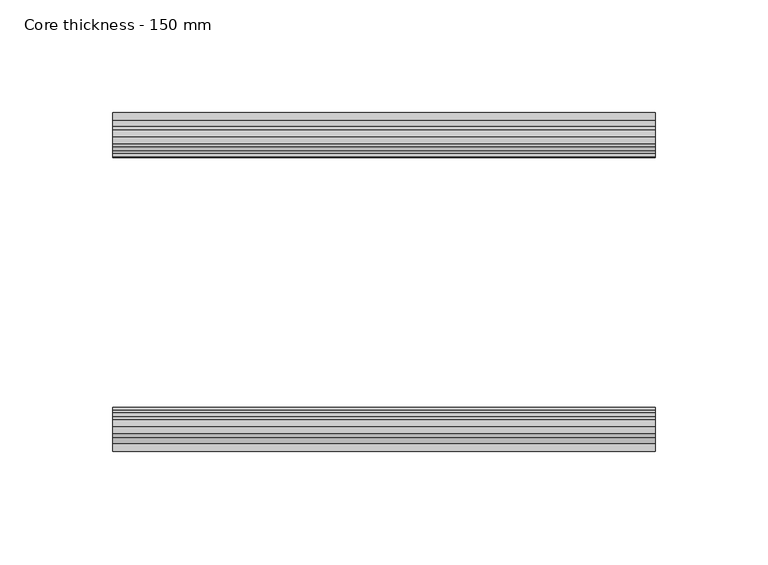
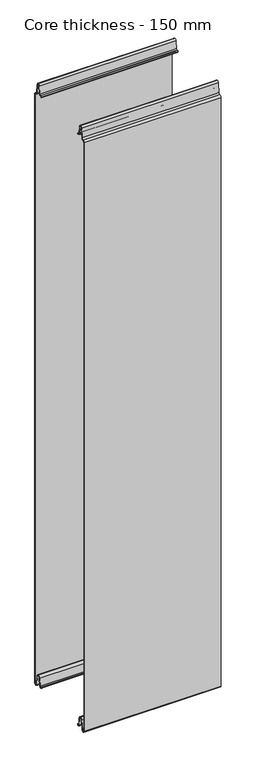
"""IFC4 building model written with IfcOpenShell, lengths in millimetres: plate geometry, Core thickness - 150 mm."""

import ifcopenshell
import ifcopenshell.guid

model = None  # the IFC model being written
_history = None  # IfcOwnerHistory: only IFC2X3 demands one
_inside = {}  # id of a spatial element -> (the spatial element, [elements in it])
_under = {}  # id of a project, library or spatial element -> (it, [spatial elements below it])
_declared = {}  # id of a project -> (the project, [libraries it declares])
_typed = {}  # id of a type object -> (the type object, [elements of that type])
_made_of = {}  # id of a material, layer set ... -> (it, [elements and type objects made of it])


def new_model(schema):
    """Start an empty IFC model of exactly this schema.

    Asked for "IFC4X3", IfcOpenShell would pick the latest addendum, in which some entities
    have other attributes; the version numbers below select the first issue.
    IFC2X3 requires an IfcOwnerHistory on every rooted entity: one is made here for all.
    """
    global model, _history
    if schema == "IFC4X3":
        model = ifcopenshell.file(schema_version=(4, 3, 0, 0))
    else:
        model = ifcopenshell.file(schema=schema)
    _inside.clear()
    _under.clear()
    _declared.clear()
    _typed.clear()
    _made_of.clear()
    _history = None
    if model.schema == "IFC2X3":
        org = make("IfcOrganization", Name="unknown")
        user = make(
            "IfcPersonAndOrganization",
            ThePerson=make("IfcPerson", FamilyName="unknown"),
            TheOrganization=org,
        )
        app = make(
            "IfcApplication",
            ApplicationDeveloper=org,
            Version="unknown",
            ApplicationFullName="unknown",
            ApplicationIdentifier="unknown",
        )
        _history = make(
            "IfcOwnerHistory",
            OwningUser=user,
            OwningApplication=app,
            ChangeAction="ADDED",
            CreationDate=0,
        )
    return model


def make(cls, **values):
    """One entity of the class cls with the attributes given. An attribute that is None is left unset."""
    return model.create_entity(
        cls, **{name: value for name, value in values.items() if value is not None}
    )


def rooted(cls, **values):
    """An entity with a GlobalId (a new one), such as an element, a storey or a relation."""
    return make(cls, GlobalId=ifcopenshell.guid.new(), OwnerHistory=_history, **values)


def si_unit(unit_type, name, prefix=None):
    """IfcSIUnit, for example si_unit("LENGTHUNIT", "METRE", prefix="MILLI")."""
    return make("IfcSIUnit", UnitType=unit_type, Prefix=prefix, Name=name)


def assignment(units):
    """IfcUnitAssignment: the units of a project."""
    return None if units is None else make("IfcUnitAssignment", Units=units)


def point(xyz):
    """IfcCartesianPoint."""
    return None if xyz is None else make("IfcCartesianPoint", Coordinates=xyz)


def direction(xyz):
    """IfcDirection."""
    return None if xyz is None else make("IfcDirection", DirectionRatios=xyz)


def frame(location, z_axis=None, x_axis=None):
    """IfcAxis2Placement3D, a coordinate frame: its origin and axes. An axis left out is left unset."""
    return make(
        "IfcAxis2Placement3D",
        Location=point(location),
        Axis=direction(z_axis),
        RefDirection=direction(x_axis),
    )


def origin():
    """The frame at (0, 0, 0) with its axes left unset."""
    return frame((0.0, 0.0, 0.0))


def place(relative_to, where):
    """IfcLocalPlacement: puts the frame where relative to a parent placement (None: the world)."""
    return make(
        "IfcLocalPlacement", PlacementRelTo=relative_to, RelativePlacement=where
    )


def context(
    kind, dimensions, precision=None, world=None, true_north=None, identifier=None
):
    """IfcGeometricRepresentationContext, for example the 3D "Model" context."""
    return make(
        "IfcGeometricRepresentationContext",
        ContextIdentifier=identifier,
        ContextType=kind,
        CoordinateSpaceDimension=dimensions,
        Precision=precision,
        WorldCoordinateSystem=world,
        TrueNorth=true_north,
    )


def project(units=None, contexts=None):
    """IfcProject with its units and contexts."""
    return rooted(
        "IfcProject",
        Name="project",
        RepresentationContexts=contexts,
        UnitsInContext=assignment(units),
    )


def spatial(cls, under=None, at=None, **own):
    """A site, building, storey or space (cls), placed at a placement, below another one or the project."""
    s = rooted(cls, ObjectPlacement=at, **own)
    if under is not None:
        _under.setdefault(under.id(), (under, []))[1].append(s)
    return s


def polyline(points):
    """IfcPolyline through the points."""
    return make("IfcPolyline", Points=[point(p) for p in points])


def circle_curve(where, radius):
    """IfcCircle in the frame where."""
    return make("IfcCircle", Position=where, Radius=radius)


def shape(context_of_items, identifier, shape_type, items):
    """IfcShapeRepresentation: the items that make up one representation, for example the "Body"."""
    return make(
        "IfcShapeRepresentation",
        ContextOfItems=context_of_items,
        RepresentationIdentifier=identifier,
        RepresentationType=shape_type,
        Items=items,
    )


def source(mapping_origin, context_of_items, identifier, shape_type, items):
    """IfcRepresentationMap: a shape defined once, which mapped items show again and again."""
    return make(
        "IfcRepresentationMap",
        MappingOrigin=mapping_origin,
        MappedRepresentation=shape(context_of_items, identifier, shape_type, items),
    )


def transform(
    local_origin,
    x_axis=None,
    y_axis=None,
    z_axis=None,
    scale=None,
    scale2=None,
    scale3=None,
    uniform=True,
):
    """IfcCartesianTransformationOperator3D, or its non-uniform kind. x_axis, y_axis, z_axis: its Axis1, 2, 3."""
    if uniform:
        return make(
            "IfcCartesianTransformationOperator3D",
            Axis1=direction(x_axis),
            Axis2=direction(y_axis),
            LocalOrigin=point(local_origin),
            Scale=scale,
            Axis3=direction(z_axis),
        )
    return make(
        "IfcCartesianTransformationOperator3DnonUniform",
        Axis1=direction(x_axis),
        Axis2=direction(y_axis),
        LocalOrigin=point(local_origin),
        Scale=scale,
        Axis3=direction(z_axis),
        Scale2=scale2,
        Scale3=scale3,
    )


def mapped(mapping_source, mapping_target):
    """IfcMappedItem: shows the shape of a source again, moved by a transform."""
    return make(
        "IfcMappedItem", MappingSource=mapping_source, MappingTarget=mapping_target
    )


def made_of(thing, what):
    """Note that an element or type object is made of a material, layer set ...; save() writes the relation."""
    if what is not None:
        _made_of.setdefault(what.id(), (what, []))[1].append(thing)
    return thing


def element(
    cls,
    number,
    at=None,
    inside=None,
    cuts=None,
    type_object=None,
    material=None,
    context=None,
    identifier="Body",
    shape_type=None,
    held_by="IfcProductDefinitionShape",
    body=None,
    shapes=None,
    **own,
):
    """One element of the class cls, such as IfcWall. Its Tag is "e" and its number.

    at: its placement. inside: the storey or other place that contains it. cuts: it is an
    opening in that element (IfcRelVoidsElement). A single representation is given by context,
    identifier, shape_type and body (its items); several are given by shapes. held_by: the class
    of the entity that holds the representations. save() writes the other relations.
    """
    e = rooted(cls, Tag="e%d" % number, ObjectPlacement=at, **own)
    if body is not None:
        shapes = [shape(context, identifier, shape_type, body)]
    if shapes is not None:
        e.Representation = make(held_by, Representations=shapes)
    if inside is not None:
        _inside.setdefault(inside.id(), (inside, []))[1].append(e)
    if cuts is not None:
        rooted(
            "IfcRelVoidsElement", RelatingBuildingElement=cuts, RelatedOpeningElement=e
        )
    if type_object is not None:
        _typed.setdefault(type_object.id(), (type_object, []))[1].append(e)
    return made_of(e, material)


def aggregate(whole, parts):
    """IfcRelAggregates: a whole, such as a stair, and the parts it consists of."""
    return rooted("IfcRelAggregates", RelatingObject=whole, RelatedObjects=parts)


def save(model, path):
    """Write the relations noted so far, then the file.

    IfcRelAggregates (storeys below a building ...), IfcRelContainedInSpatialStructure (elements
    in a storey), IfcRelDefinesByType, IfcRelAssociatesMaterial and IfcRelDeclares: one each for
    every whole, place, type object, material and project.
    """
    for whole, parts in _under.values():
        aggregate(whole, parts)
    for where, things in _inside.values():
        rooted(
            "IfcRelContainedInSpatialStructure",
            RelatedElements=things,
            RelatingStructure=where,
        )
    for kind, things in _typed.values():
        rooted("IfcRelDefinesByType", RelatedObjects=things, RelatingType=kind)
    for what, things in _made_of.values():
        rooted("IfcRelAssociatesMaterial", RelatedObjects=things, RelatingMaterial=what)
    for by, libraries in _declared.values():
        rooted("IfcRelDeclares", RelatingContext=by, RelatedDefinitions=libraries)
    model.write(path)


def plane_surface(at):
    """IfcPlane: the flat surface through the origin of the frame at, square to its z axis."""
    return make("IfcPlane", Position=at)


def cylinder_surface(at, radius):
    """IfcCylindricalSurface: all points at the distance radius from the z axis of the frame at."""
    return make("IfcCylindricalSurface", Position=at, Radius=radius)


def revolved_surface(curve, axis_point, axis_direction):
    """IfcSurfaceOfRevolution: the curve turned about the line through axis_point along axis_direction."""
    return make(
        "IfcSurfaceOfRevolution",
        SweptCurve=make("IfcArbitraryOpenProfileDef", ProfileType="CURVE", Curve=curve),
        AxisPosition=make("IfcAxis1Placement", Location=point(axis_point), Axis=direction(axis_direction)),
    )


def advanced_brep(points, edges, surfaces, faces):
    """IfcAdvancedBrep: a solid bounded by faces that lie on surfaces and meet in shared edges.

    An edge is (start, end): straight between two places in points (the first is 0);
    or (start, end, curve); or (start, end, curve, False) where it runs against its curve.
    A face is (place in surfaces, loops), or (place, loops, False) where it looks against
    its surface's normal. A loop lists edges by number (the first is 1), with a minus sign
    where the edge is run from its end to its start. The first loop is the outer one.
    """
    corners = [point(p) for p in points]
    vertices = [make("IfcVertexPoint", VertexGeometry=c) for c in corners]
    made = []
    for start, end, *more in edges:
        made.append(
            make(
                "IfcEdgeCurve",
                EdgeStart=vertices[start],
                EdgeEnd=vertices[end],
                EdgeGeometry=more[0] if more else make("IfcPolyline", Points=[corners[start], corners[end]]),
                SameSense=more[1] if len(more) > 1 else True,
            )
        )
    hull = []
    for where, loops, *sense in faces:
        bounds = []
        for j, loop in enumerate(loops):
            ring = [make("IfcOrientedEdge", EdgeElement=made[abs(k) - 1], Orientation=k > 0) for k in loop]
            bounds.append(
                make(
                    "IfcFaceOuterBound" if j == 0 else "IfcFaceBound",
                    Bound=make("IfcEdgeLoop", EdgeList=ring),
                    Orientation=True,
                )
            )
        hull.append(make("IfcAdvancedFace", Bounds=bounds, FaceSurface=surfaces[where], SameSense=sense[0] if sense else True))
    return make("IfcAdvancedBrep", Outer=make("IfcClosedShell", CfsFaces=hull))


def core_thickness_150_mm_47d732b1(model_context):
    return source(origin(), model_context, "Body", "AdvancedBrep", [
        advanced_brep(
        [(119.9999998, -149.1996949, 1093.8000005), (119.9999998, -146.6339815, 1096.1942726), (119.9999998, -143.1209335, 1099.1779769), (119.9999998, -141.4584333, 1116.1334653), (119.9999998, -139.1776715, 1118.1999998), (119.9999998, -136.8969097, 1116.1334653), (119.9999998, -135.5642071, 1102.5415123), (119.9999998, -132.9766159, 1100.1952279), (119.9999998, -131.8996949, 1100.1952279), (119.9999998, -131.2996949, 1099.5952279), (119.9999998, -131.2996949, 1098.4952279), (119.9999998, -130.4996949, 1098.4952279), (119.9999998, -130.4996949, 1099.5952279), (119.9999998, -131.8996949, 1100.9952279), (119.9999998, -132.9766159, 1100.9952279), (119.9999998, -134.7680252, 1102.6195786), (119.9999998, -136.1007278, 1116.2115316), (119.9999998, -139.1776715, 1119.0), (119.9999998, -142.2546153, 1116.2115316), (119.9999998, -143.9171154, 1099.2560432), (119.9999998, -146.5778021, 1097.005967), (119.9999998, -149.9996949, 1093.8000005), (119.9999998, -149.9996949, 2.9900682), (119.9999998, -143.81449, 2.6875612), (119.9999998, -142.197116, 19.1828169), (119.9999998, -139.1776715, 21.8898782), (119.9999998, -136.1582271, 19.1828169), (119.9999998, -134.7725998, 5.0510966), (119.9999998, -130.3830995, 5.265779), (119.9999998, -131.1830995, 5.265779), (119.9999998, -133.9764178, 5.1291629), (119.9999998, -135.3620451, 19.2608832), (119.9999998, -139.1776715, 22.6899182), (119.9999998, -142.9932979, 19.2608832), (119.9999998, -144.6106719, 2.7656275), (119.9999998, -149.1996949, 2.9900682), (-119.9999998, -149.2, 1093.8000005), (-119.9999998, -149.2, 2.9900682), (-119.9999998, -144.6106719, 2.7656275), (-119.9999998, -142.9932979, 19.2608832), (-119.9999998, -139.1776715, 22.6899182), (-119.9999998, -135.3620451, 19.2608832), (-119.9999998, -133.9764178, 5.1291629), (-119.9999998, -131.1830995, 5.265779), (-119.9999998, -130.3830995, 5.265779), (-119.9999998, -134.7725998, 5.0510966), (-119.9999998, -136.1582271, 19.1828169), (-119.9999998, -139.1776715, 21.8898782), (-119.9999998, -142.197116, 19.1828169), (-119.9999998, -143.81449, 2.6875612), (-119.9999998, -149.9996949, 2.9900682), (-119.9999998, -149.9996949, 1093.8000005), (-119.9999998, -146.5787437, 1096.9923633), (-119.9999998, -143.9171154, 1099.2560432), (-119.9999998, -142.2546153, 1116.2115316), (-119.9999998, -139.1776715, 1119.0), (-119.9999998, -136.1007278, 1116.2115316), (-119.9999998, -134.7680252, 1102.6195786), (-119.9999998, -132.9766159, 1100.9952279), (-119.9999998, -131.8996949, 1100.9952279), (-119.9999998, -130.4996949, 1099.5952279), (-119.9999998, -130.4996949, 1098.4952279), (-119.9999998, -131.2996949, 1098.4952279), (-119.9999998, -131.2996949, 1099.5952279), (-119.9999998, -131.8996949, 1100.1952279), (-119.9999998, -132.9766159, 1100.1952279), (-119.9999998, -135.5642071, 1102.5415123), (-119.9999998, -136.8969097, 1116.1334653), (-119.9999998, -139.1776715, 1118.1999998), (-119.9999998, -141.4584333, 1116.1334653), (-119.9999998, -143.1209335, 1099.1779769), (-119.9999998, -146.6330399, 1096.2078763)],
        [
            (0, 1, circle_curve(frame((119.9999998, -146.7996949, 1093.8000005), z_axis=(-1.0, 0.0, 0.0), x_axis=(0.0, 0.0, -1.0)), 2.4)),
            (1, 2, circle_curve(frame((119.9999998, -146.4051839, 1099.5000005), z_axis=(1.0, 0.0, 0.0), x_axis=(0.0, 0.0, -1.0)), 3.3)),
            (2, 3),
            (3, 4, circle_curve(frame((119.9999998, -139.1793626, 1115.9100005), z_axis=(-1.0, 0.0, 0.0), x_axis=(0.0, 0.0, -1.0)), 2.29)),
            (4, 5, circle_curve(frame((119.9999998, -139.1759805, 1115.9100005), z_axis=(-1.0, 0.0, 0.0), x_axis=(0.0, 0.0, -1.0)), 2.29)),
            (5, 6),
            (6, 7, circle_curve(frame((119.9999998, -132.9766159, 1102.7952279), z_axis=(1.0, 0.0, 0.0), x_axis=(0.0, 0.0, -1.0)), 2.6)),
            (7, 8),
            (8, 9, circle_curve(frame((119.9999998, -131.8996949, 1099.5952279), z_axis=(-1.0, 0.0, 0.0), x_axis=(0.0, 0.0, -1.0)), 0.6)),
            (9, 10),
            (10, 11),
            (11, 12),
            (12, 13, circle_curve(frame((119.9999998, -131.8996949, 1099.5952279), z_axis=(1.0, 0.0, 0.0), x_axis=(0.0, 0.0, -1.0)), 1.4)),
            (13, 14),
            (14, 15, circle_curve(frame((119.9999998, -132.9766159, 1102.7952279), z_axis=(-1.0, 0.0, 0.0), x_axis=(0.0, 0.0, -1.0)), 1.8)),
            (15, 16),
            (16, 17, circle_curve(frame((119.9999998, -139.1759805, 1115.9100005), z_axis=(1.0, 0.0, 0.0), x_axis=(0.0, 0.0, -1.0)), 3.09)),
            (17, 18, circle_curve(frame((119.9999998, -139.1793626, 1115.9100005), z_axis=(1.0, 0.0, 0.0), x_axis=(0.0, 0.0, -1.0)), 3.09)),
            (18, 19),
            (19, 20, circle_curve(frame((119.9999998, -146.4051839, 1099.5000005), z_axis=(-1.0, 0.0, 0.0), x_axis=(0.0, 0.0, -1.0)), 2.5)),
            (20, 21, circle_curve(frame((119.9999998, -146.7996949, 1093.8000005), z_axis=(1.0, 0.0, 0.0), x_axis=(0.0, 0.0, -1.0)), 3.2)),
            (21, 22),
            (22, 23, circle_curve(frame((119.9999998, -146.8996949, 2.9900682), z_axis=(1.0, 0.0, 0.0), x_axis=(0.0, 0.0, -1.0)), 3.1)),
            (23, 24),
            (24, 25, circle_curve(frame((119.9999998, -139.2114338, 18.8900682), z_axis=(-1.0, 0.0, 0.0), x_axis=(0.0, 0.0, -1.0)), 3.0)),
            (25, 26, circle_curve(frame((119.9999998, -139.1439093, 18.8900682), z_axis=(-1.0, 0.0, 0.0), x_axis=(0.0, 0.0, -1.0)), 3.0)),
            (26, 27),
            (27, 28, circle_curve(frame((119.9999998, -132.5830995, 5.265779), z_axis=(1.0, 0.0, 0.0), x_axis=(0.0, 0.0, -1.0)), 2.2)),
            (28, 29),
            (29, 30, circle_curve(frame((119.9999998, -132.5830995, 5.265779), z_axis=(-1.0, 0.0, 0.0), x_axis=(0.0, 0.0, -1.0)), 1.4)),
            (30, 31),
            (31, 32, circle_curve(frame((119.9999998, -139.1439093, 18.8900682), z_axis=(1.0, 0.0, 0.0), x_axis=(0.0, 0.0, -1.0)), 3.8)),
            (32, 33, circle_curve(frame((119.9999998, -139.2114338, 18.8900682), z_axis=(1.0, 0.0, 0.0), x_axis=(0.0, 0.0, -1.0)), 3.8)),
            (33, 34),
            (34, 35, circle_curve(frame((119.9999998, -146.8996949, 2.9900682), z_axis=(-1.0, 0.0, 0.0), x_axis=(0.0, 0.0, -1.0)), 2.3)),
            (35, 0),
            (36, 37),
            (37, 38, circle_curve(frame((-119.9999998, -146.8996949, 2.9900682), z_axis=(1.0, 0.0, 0.0), x_axis=(0.0, 0.0, -1.0)), 2.3)),
            (38, 39),
            (39, 40, circle_curve(frame((-119.9999998, -139.2114338, 18.8900682), z_axis=(-1.0, 0.0, 0.0), x_axis=(0.0, 0.0, -1.0)), 3.8)),
            (40, 41, circle_curve(frame((-119.9999998, -139.1439093, 18.8900682), z_axis=(-1.0, 0.0, 0.0), x_axis=(0.0, 0.0, -1.0)), 3.8)),
            (41, 42),
            (42, 43, circle_curve(frame((-119.9999998, -132.5830995, 5.265779), z_axis=(1.0, 0.0, 0.0), x_axis=(0.0, 0.0, -1.0)), 1.4)),
            (43, 44),
            (44, 45, circle_curve(frame((-119.9999998, -132.5830995, 5.265779), z_axis=(-1.0, 0.0, 0.0), x_axis=(0.0, 0.0, -1.0)), 2.2)),
            (45, 46),
            (46, 47, circle_curve(frame((-119.9999998, -139.1439093, 18.8900682), z_axis=(1.0, 0.0, 0.0), x_axis=(0.0, 0.0, -1.0)), 3.0)),
            (47, 48, circle_curve(frame((-119.9999998, -139.2114338, 18.8900682), z_axis=(1.0, 0.0, 0.0), x_axis=(0.0, 0.0, -1.0)), 3.0)),
            (48, 49),
            (49, 50, circle_curve(frame((-119.9999998, -146.8996949, 2.9900682), z_axis=(-1.0, 0.0, 0.0), x_axis=(0.0, 0.0, -1.0)), 3.1)),
            (50, 51),
            (51, 52, circle_curve(frame((-119.9999998, -146.7996949, 1093.8000005), z_axis=(-1.0, 0.0, 0.0), x_axis=(0.0, 0.0, -1.0)), 3.2)),
            (52, 53, circle_curve(frame((-119.9999998, -146.4051839, 1099.5000005), z_axis=(1.0, 0.0, 0.0), x_axis=(0.0, 0.0, -1.0)), 2.5)),
            (53, 54),
            (54, 55, circle_curve(frame((-119.9999998, -139.1793626, 1115.9100005), z_axis=(-1.0, 0.0, 0.0), x_axis=(0.0, 0.0, -1.0)), 3.09)),
            (55, 56, circle_curve(frame((-119.9999998, -139.1759805, 1115.9100005), z_axis=(-1.0, 0.0, 0.0), x_axis=(0.0, 0.0, -1.0)), 3.09)),
            (56, 57),
            (57, 58, circle_curve(frame((-119.9999998, -132.9766159, 1102.7952279), z_axis=(1.0, 0.0, 0.0), x_axis=(0.0, 0.0, -1.0)), 1.8)),
            (58, 59),
            (59, 60, circle_curve(frame((-119.9999998, -131.8996949, 1099.5952279), z_axis=(-1.0, 0.0, 0.0), x_axis=(0.0, 0.0, -1.0)), 1.4)),
            (60, 61),
            (61, 62),
            (62, 63),
            (63, 64, circle_curve(frame((-119.9999998, -131.8996949, 1099.5952279), z_axis=(1.0, 0.0, 0.0), x_axis=(0.0, 0.0, -1.0)), 0.6)),
            (64, 65),
            (65, 66, circle_curve(frame((-119.9999998, -132.9766159, 1102.7952279), z_axis=(-1.0, 0.0, 0.0), x_axis=(0.0, 0.0, -1.0)), 2.6)),
            (66, 67),
            (67, 68, circle_curve(frame((-119.9999998, -139.1759805, 1115.9100005), z_axis=(1.0, 0.0, 0.0), x_axis=(0.0, 0.0, -1.0)), 2.29)),
            (68, 69, circle_curve(frame((-119.9999998, -139.1793626, 1115.9100005), z_axis=(1.0, 0.0, 0.0), x_axis=(0.0, 0.0, -1.0)), 2.29)),
            (69, 70),
            (70, 71, circle_curve(frame((-119.9999998, -146.4051839, 1099.5000005), z_axis=(-1.0, 0.0, 0.0), x_axis=(0.0, 0.0, -1.0)), 3.3)),
            (71, 36, circle_curve(frame((-119.9999998, -146.7996949, 1093.8000005), z_axis=(1.0, 0.0, 0.0), x_axis=(0.0, 0.0, -1.0)), 2.4)),
            (35, 37),
            (36, 0),
            (21, 51),
            (50, 22),
            (20, 52),
            (19, 53),
            (18, 54),
            (17, 55),
            (16, 56),
            (15, 57),
            (14, 58),
            (13, 59),
            (12, 60),
            (11, 61),
            (10, 62),
            (9, 63),
            (8, 64),
            (7, 65),
            (6, 66),
            (5, 67),
            (4, 68),
            (3, 69),
            (2, 70),
            (1, 71),
            (34, 38),
            (33, 39),
            (32, 40),
            (31, 41),
            (30, 42),
            (29, 43),
            (28, 44),
            (27, 45),
            (26, 46),
            (25, 47),
            (24, 48),
            (23, 49),
        ],
        [
            plane_surface(frame((119.9999998, -150.0, 0.0), z_axis=(1.0, 0.0, 0.0), x_axis=(0.0, 1.0, 0.0))),
            plane_surface(frame((-119.9999998, -150.0, 0.0), z_axis=(-1.0, 0.0, 0.0), x_axis=(0.0, 1.0, 0.0))),
            plane_surface(frame((119.9999998, -149.2, 2.9900682), z_axis=(0.0, 1.0, 0.0), x_axis=(-1.0, 0.0, 0.0))),
            plane_surface(frame((119.9999998, -149.9996949, 1093.8000005), z_axis=(0.0, -1.0, 0.0), x_axis=(-1.0, 0.0, 0.0))),
            cylinder_surface(frame((119.9999998, -146.7996949, 1093.8000005), z_axis=(1.0, 0.0, 0.0), x_axis=(0.0, 0.0, -1.0)), 3.2),
            revolved_surface(polyline([(-119.9999998, -146.4051839, 1097.0000005), (119.9999998, -146.4051839, 1097.0000005)]), (119.9999998, -146.4051839, 1099.5000005), (-1.0, 0.0, 0.0)),
            plane_surface(frame((119.9999998, -142.2546153, 1116.2115316), z_axis=(0.0, -0.9952273999818317, 0.0975828997591444), x_axis=(-1.0, 0.0, 0.0))),
            cylinder_surface(frame((119.9999998, -139.1793626, 1115.9100005), z_axis=(1.0, 0.0, 0.0), x_axis=(0.0, 0.0, -1.0)), 3.09),
            cylinder_surface(frame((119.9999998, -139.1759805, 1115.9100005), z_axis=(1.0, 0.0, 0.0), x_axis=(0.0, 0.0, -1.0)), 3.09),
            plane_surface(frame((119.9999998, -134.7680252, 1102.6195786), z_axis=(0.0, 0.9952273999818314, 0.0975828997591471), x_axis=(-1.0, 0.0, 0.0))),
            revolved_surface(polyline([(-119.9999998, -132.9766159, 1100.9952279000001), (119.9999998, -132.9766159, 1100.9952279000001)]), (119.9999998, -132.9766159, 1102.7952279), (-1.0, 0.0, 0.0)),
            plane_surface(frame((119.9999998, -131.8996949, 1100.9952279), z_axis=(0.0, 0.0, 1.0), x_axis=(-1.0, 0.0, 0.0))),
            cylinder_surface(frame((119.9999998, -131.8996949, 1099.5952279), z_axis=(1.0, 0.0, 0.0), x_axis=(0.0, 0.0, -1.0)), 1.4),
            plane_surface(frame((119.9999998, -130.4996949, 1098.4952279), z_axis=(0.0, 1.0, 0.0), x_axis=(-1.0, 0.0, 0.0))),
            plane_surface(frame((119.9999998, -131.2996949, 1098.4952279), z_axis=(0.0, 0.0, -1.0), x_axis=(-1.0, 0.0, 0.0))),
            plane_surface(frame((119.9999998, -131.2996949, 1099.5952279), z_axis=(0.0, -1.0, 0.0), x_axis=(-1.0, 0.0, 0.0))),
            revolved_surface(polyline([(-119.9999998, -131.8996949, 1098.9952279000001), (119.9999998, -131.8996949, 1098.9952279000001)]), (119.9999998, -131.8996949, 1099.5952279), (-1.0, 0.0, 0.0)),
            plane_surface(frame((119.9999998, -132.9766159, 1100.1952279), z_axis=(0.0, 0.0, -1.0), x_axis=(-1.0, 0.0, 0.0))),
            cylinder_surface(frame((119.9999998, -132.9766159, 1102.7952279), z_axis=(1.0, 0.0, 0.0), x_axis=(0.0, 0.0, -1.0)), 2.6),
            plane_surface(frame((119.9999998, -136.8969097, 1116.1334653), z_axis=(0.0, -0.9952273999818314, -0.09758289975914705), x_axis=(-1.0, 0.0, 0.0))),
            revolved_surface(polyline([(-119.9999998, -139.1759805, 1113.6200005), (119.9999998, -139.1759805, 1113.6200005)]), (119.9999998, -139.1759805, 1115.9100005), (-1.0, 0.0, 0.0)),
            revolved_surface(polyline([(-119.9999998, -139.1793626, 1113.6200005), (119.9999998, -139.1793626, 1113.6200005)]), (119.9999998, -139.1793626, 1115.9100005), (-1.0, 0.0, 0.0)),
            plane_surface(frame((119.9999998, -143.1209335, 1099.1779769), z_axis=(0.0, 0.9952273999818317, -0.09758289975914436), x_axis=(-1.0, 0.0, 0.0))),
            cylinder_surface(frame((119.9999998, -146.4051839, 1099.5000005), z_axis=(1.0, 0.0, 0.0), x_axis=(0.0, 0.0, -1.0)), 3.3),
            revolved_surface(polyline([(-119.9999998, -146.7996949, 1091.4000004999998), (119.9999998, -146.7996949, 1091.4000004999998)]), (119.9999998, -146.7996949, 1093.8000005), (-1.0, 0.0, 0.0)),
            revolved_surface(polyline([(-119.9999998, -146.8996949, 0.6900682000000002), (119.9999998, -146.8996949, 0.6900682000000002)]), (119.9999998, -146.8996949, 2.9900682), (-1.0, 0.0, 0.0)),
            plane_surface(frame((119.9999998, -142.9932979, 19.2608832), z_axis=(0.0, -0.9952273999818314, 0.09758289975914787), x_axis=(-1.0, 0.0, 0.0))),
            cylinder_surface(frame((119.9999998, -139.2114338, 18.8900682), z_axis=(1.0, 0.0, 0.0), x_axis=(0.0, 0.0, -1.0)), 3.8),
            cylinder_surface(frame((119.9999998, -139.1439093, 18.8900682), z_axis=(1.0, 0.0, 0.0), x_axis=(0.0, 0.0, -1.0)), 3.8),
            plane_surface(frame((119.9999998, -133.9764178, 5.1291629), z_axis=(0.0, 0.9952273999818297, 0.09758289975916531), x_axis=(-1.0, 0.0, 0.0))),
            revolved_surface(polyline([(-119.9999998, -132.5830995, 3.8657790000000003), (119.9999998, -132.5830995, 3.8657790000000003)]), (119.9999998, -132.5830995, 5.265779), (-1.0, 0.0, 0.0)),
            plane_surface(frame((119.9999998, -130.3830995, 5.265779), z_axis=(0.0, 0.0, 1.0), x_axis=(-1.0, 0.0, 0.0))),
            cylinder_surface(frame((119.9999998, -132.5830995, 5.265779), z_axis=(1.0, 0.0, 0.0), x_axis=(0.0, 0.0, -1.0)), 2.2),
            plane_surface(frame((119.9999998, -136.1582271, 19.1828169), z_axis=(0.0, -0.9952273999818296, -0.09758289975916527), x_axis=(-1.0, 0.0, 0.0))),
            revolved_surface(polyline([(-119.9999998, -139.1439093, 15.890068200000002), (119.9999998, -139.1439093, 15.890068200000002)]), (119.9999998, -139.1439093, 18.8900682), (-1.0, 0.0, 0.0)),
            revolved_surface(polyline([(-119.9999998, -139.2114338, 15.890068200000002), (119.9999998, -139.2114338, 15.890068200000002)]), (119.9999998, -139.2114338, 18.8900682), (-1.0, 0.0, 0.0)),
            plane_surface(frame((119.9999998, -143.81449, 2.6875612), z_axis=(0.0, 0.9952273999818314, -0.09758289975914787), x_axis=(-1.0, 0.0, 0.0))),
            cylinder_surface(frame((119.9999998, -146.8996949, 2.9900682), z_axis=(1.0, 0.0, 0.0), x_axis=(0.0, 0.0, -1.0)), 3.1),
        ],
        [
            (0, [[1, 2, 3, 4, 5, 6, 7, 8, 9, 10, 11, 12, 13, 14, 15, 16, 17, 18, 19, 20, 21, 22, 23, 24, 25, 26, 27, 28, 29, 30, 31, 32, 33, 34, 35, 36]]),
            (1, [[37, 38, 39, 40, 41, 42, 43, 44, 45, 46, 47, 48, 49, 50, 51, 52, 53, 54, 55, 56, 57, 58, 59, 60, 61, 62, 63, 64, 65, 66, 67, 68, 69, 70, 71, 72]]),
            (2, [[-36, 73, -37, 74]]),
            (3, [[-22, 75, -51, 76]]),
            (4, [[-21, 77, -52, -75]]),
            (5, [[-20, 78, -53, -77]]),
            (6, [[-19, 79, -54, -78]]),
            (7, [[-18, 80, -55, -79]]),
            (8, [[-17, 81, -56, -80]]),
            (9, [[-16, 82, -57, -81]]),
            (10, [[-15, 83, -58, -82]]),
            (11, [[-14, 84, -59, -83]]),
            (12, [[-13, 85, -60, -84]]),
            (13, [[-12, 86, -61, -85]]),
            (14, [[-11, 87, -62, -86]]),
            (15, [[-10, 88, -63, -87]]),
            (16, [[-9, 89, -64, -88]]),
            (17, [[-8, 90, -65, -89]]),
            (18, [[-7, 91, -66, -90]]),
            (19, [[-6, 92, -67, -91]]),
            (20, [[-5, 93, -68, -92]]),
            (21, [[-4, 94, -69, -93]]),
            (22, [[-3, 95, -70, -94]]),
            (23, [[-2, 96, -71, -95]]),
            (24, [[-1, -74, -72, -96]]),
            (25, [[-35, 97, -38, -73]]),
            (26, [[-34, 98, -39, -97]]),
            (27, [[-33, 99, -40, -98]]),
            (28, [[-32, 100, -41, -99]]),
            (29, [[-31, 101, -42, -100]]),
            (30, [[-30, 102, -43, -101]]),
            (31, [[-29, 103, -44, -102]]),
            (32, [[-28, 104, -45, -103]]),
            (33, [[-27, 105, -46, -104]]),
            (34, [[-26, 106, -47, -105]]),
            (35, [[-25, 107, -48, -106]]),
            (36, [[-24, 108, -49, -107]]),
            (37, [[-23, -76, -50, -108]]),
        ],
    ),
        advanced_brep(
        [(119.9999998, -0.8, 1093.8000005), (119.9999998, -0.8, 2.9900682), (119.9999998, -5.3893281, 2.7656275), (119.9999998, -7.0067021, 19.2608832), (119.9999998, -10.8223285, 22.6899182), (119.9999998, -14.6379549, 19.2608832), (119.9999998, -16.0235822, 5.1291629), (119.9999998, -18.8169005, 5.265779), (119.9999998, -19.6169005, 5.265779), (119.9999998, -15.2274002, 5.0510966), (119.9999998, -13.8417729, 19.1828169), (119.9999998, -10.8223285, 21.8898782), (119.9999998, -7.802884, 19.1828169), (119.9999998, -6.18551, 2.6875612), (119.9999998, -0.0003051, 2.9900682), (119.9999998, -0.0003051, 1093.8000005), (119.9999998, -3.4212563, 1096.9923633), (119.9999998, -6.0828846, 1099.2560432), (119.9999998, -7.7453847, 1116.2115316), (119.9999998, -10.8223285, 1119.0), (119.9999998, -13.8992722, 1116.2115316), (119.9999998, -15.2319748, 1102.6195786), (119.9999998, -17.0233841, 1100.9952279), (119.9999998, -18.1003051, 1100.9952279), (119.9999998, -19.5003051, 1099.5952279), (119.9999998, -19.5003051, 1098.4952279), (119.9999998, -18.7003051, 1098.4952279), (119.9999998, -18.7003051, 1099.5952279), (119.9999998, -18.1003051, 1100.1952279), (119.9999998, -17.0233841, 1100.1952279), (119.9999998, -14.4357929, 1102.5415123), (119.9999998, -13.1030903, 1116.1334653), (119.9999998, -10.8223285, 1118.1999998), (119.9999998, -8.5415667, 1116.1334653), (119.9999998, -6.8790665, 1099.1779769), (119.9999998, -3.3669601, 1096.2078763), (-119.9999998, -0.8003051, 1093.8000005), (-119.9999998, -3.3660185, 1096.1942726), (-119.9999998, -6.8790665, 1099.1779769), (-119.9999998, -8.5415667, 1116.1334653), (-119.9999998, -10.8223285, 1118.1999998), (-119.9999998, -13.1030903, 1116.1334653), (-119.9999998, -14.4357929, 1102.5415123), (-119.9999998, -17.0233841, 1100.1952279), (-119.9999998, -18.1003051, 1100.1952279), (-119.9999998, -18.7003051, 1099.5952279), (-119.9999998, -18.7003051, 1098.4952279), (-119.9999998, -19.5003051, 1098.4952279), (-119.9999998, -19.5003051, 1099.5952279), (-119.9999998, -18.1003051, 1100.9952279), (-119.9999998, -17.0233841, 1100.9952279), (-119.9999998, -15.2319748, 1102.6195786), (-119.9999998, -13.8992722, 1116.2115316), (-119.9999998, -10.8223285, 1119.0), (-119.9999998, -7.7453847, 1116.2115316), (-119.9999998, -6.0828846, 1099.2560432), (-119.9999998, -3.4221979, 1097.005967), (-119.9999998, -0.0003051, 1093.8000005), (-119.9999998, -0.0003051, 2.9900682), (-119.9999998, -6.18551, 2.6875612), (-119.9999998, -7.802884, 19.1828169), (-119.9999998, -10.8223285, 21.8898782), (-119.9999998, -13.8417729, 19.1828169), (-119.9999998, -15.2274002, 5.0510966), (-119.9999998, -19.6169005, 5.265779), (-119.9999998, -18.8169005, 5.265779), (-119.9999998, -16.0235822, 5.1291629), (-119.9999998, -14.6379549, 19.2608832), (-119.9999998, -10.8223285, 22.6899182), (-119.9999998, -7.0067021, 19.2608832), (-119.9999998, -5.3893281, 2.7656275), (-119.9999998, -0.8003051, 2.9900682)],
        [
            (0, 1),
            (1, 2, circle_curve(frame((119.9999998, -3.1003051, 2.9900682), z_axis=(-1.0, 0.0, 0.0), x_axis=(0.0, 0.0, -1.0)), 2.3)),
            (2, 3),
            (3, 4, circle_curve(frame((119.9999998, -10.7885662, 18.8900682), z_axis=(1.0, 0.0, 0.0), x_axis=(0.0, 0.0, -1.0)), 3.8)),
            (4, 5, circle_curve(frame((119.9999998, -10.8560907, 18.8900682), z_axis=(1.0, 0.0, 0.0), x_axis=(0.0, 0.0, -1.0)), 3.8)),
            (5, 6),
            (6, 7, circle_curve(frame((119.9999998, -17.4169005, 5.265779), z_axis=(-1.0, 0.0, 0.0), x_axis=(0.0, 0.0, -1.0)), 1.4)),
            (7, 8),
            (8, 9, circle_curve(frame((119.9999998, -17.4169005, 5.265779), z_axis=(1.0, 0.0, 0.0), x_axis=(0.0, 0.0, -1.0)), 2.2)),
            (9, 10),
            (10, 11, circle_curve(frame((119.9999998, -10.8560907, 18.8900682), z_axis=(-1.0, 0.0, 0.0), x_axis=(0.0, 0.0, -1.0)), 3.0)),
            (11, 12, circle_curve(frame((119.9999998, -10.7885662, 18.8900682), z_axis=(-1.0, 0.0, 0.0), x_axis=(0.0, 0.0, -1.0)), 3.0)),
            (12, 13),
            (13, 14, circle_curve(frame((119.9999998, -3.1003051, 2.9900682), z_axis=(1.0, 0.0, 0.0), x_axis=(0.0, 0.0, -1.0)), 3.1)),
            (14, 15),
            (15, 16, circle_curve(frame((119.9999998, -3.2003051, 1093.8000005), z_axis=(1.0, 0.0, 0.0), x_axis=(0.0, 0.0, -1.0)), 3.2)),
            (16, 17, circle_curve(frame((119.9999998, -3.5948161, 1099.5000005), z_axis=(-1.0, 0.0, 0.0), x_axis=(0.0, 0.0, -1.0)), 2.5)),
            (17, 18),
            (18, 19, circle_curve(frame((119.9999998, -10.8206374, 1115.9100005), z_axis=(1.0, 0.0, 0.0), x_axis=(0.0, 0.0, -1.0)), 3.09)),
            (19, 20, circle_curve(frame((119.9999998, -10.8240195, 1115.9100005), z_axis=(1.0, 0.0, 0.0), x_axis=(0.0, 0.0, -1.0)), 3.09)),
            (20, 21),
            (21, 22, circle_curve(frame((119.9999998, -17.0233841, 1102.7952279), z_axis=(-1.0, 0.0, 0.0), x_axis=(0.0, 0.0, -1.0)), 1.8)),
            (22, 23),
            (23, 24, circle_curve(frame((119.9999998, -18.1003051, 1099.5952279), z_axis=(1.0, 0.0, 0.0), x_axis=(0.0, 0.0, -1.0)), 1.4)),
            (24, 25),
            (25, 26),
            (26, 27),
            (27, 28, circle_curve(frame((119.9999998, -18.1003051, 1099.5952279), z_axis=(-1.0, 0.0, 0.0), x_axis=(0.0, 0.0, -1.0)), 0.6)),
            (28, 29),
            (29, 30, circle_curve(frame((119.9999998, -17.0233841, 1102.7952279), z_axis=(1.0, 0.0, 0.0), x_axis=(0.0, 0.0, -1.0)), 2.6)),
            (30, 31),
            (31, 32, circle_curve(frame((119.9999998, -10.8240195, 1115.9100005), z_axis=(-1.0, 0.0, 0.0), x_axis=(0.0, 0.0, -1.0)), 2.29)),
            (32, 33, circle_curve(frame((119.9999998, -10.8206374, 1115.9100005), z_axis=(-1.0, 0.0, 0.0), x_axis=(0.0, 0.0, -1.0)), 2.29)),
            (33, 34),
            (34, 35, circle_curve(frame((119.9999998, -3.5948161, 1099.5000005), z_axis=(1.0, 0.0, 0.0), x_axis=(0.0, 0.0, -1.0)), 3.3)),
            (35, 0, circle_curve(frame((119.9999998, -3.2003051, 1093.8000005), z_axis=(-1.0, 0.0, 0.0), x_axis=(0.0, 0.0, -1.0)), 2.4)),
            (36, 37, circle_curve(frame((-119.9999998, -3.2003051, 1093.8000005), z_axis=(1.0, 0.0, 0.0), x_axis=(0.0, 0.0, -1.0)), 2.4)),
            (37, 38, circle_curve(frame((-119.9999998, -3.5948161, 1099.5000005), z_axis=(-1.0, 0.0, 0.0), x_axis=(0.0, 0.0, -1.0)), 3.3)),
            (38, 39),
            (39, 40, circle_curve(frame((-119.9999998, -10.8206374, 1115.9100005), z_axis=(1.0, 0.0, 0.0), x_axis=(0.0, 0.0, -1.0)), 2.29)),
            (40, 41, circle_curve(frame((-119.9999998, -10.8240195, 1115.9100005), z_axis=(1.0, 0.0, 0.0), x_axis=(0.0, 0.0, -1.0)), 2.29)),
            (41, 42),
            (42, 43, circle_curve(frame((-119.9999998, -17.0233841, 1102.7952279), z_axis=(-1.0, 0.0, 0.0), x_axis=(0.0, 0.0, -1.0)), 2.6)),
            (43, 44),
            (44, 45, circle_curve(frame((-119.9999998, -18.1003051, 1099.5952279), z_axis=(1.0, 0.0, 0.0), x_axis=(0.0, 0.0, -1.0)), 0.6)),
            (45, 46),
            (46, 47),
            (47, 48),
            (48, 49, circle_curve(frame((-119.9999998, -18.1003051, 1099.5952279), z_axis=(-1.0, 0.0, 0.0), x_axis=(0.0, 0.0, -1.0)), 1.4)),
            (49, 50),
            (50, 51, circle_curve(frame((-119.9999998, -17.0233841, 1102.7952279), z_axis=(1.0, 0.0, 0.0), x_axis=(0.0, 0.0, -1.0)), 1.8)),
            (51, 52),
            (52, 53, circle_curve(frame((-119.9999998, -10.8240195, 1115.9100005), z_axis=(-1.0, 0.0, 0.0), x_axis=(0.0, 0.0, -1.0)), 3.09)),
            (53, 54, circle_curve(frame((-119.9999998, -10.8206374, 1115.9100005), z_axis=(-1.0, 0.0, 0.0), x_axis=(0.0, 0.0, -1.0)), 3.09)),
            (54, 55),
            (55, 56, circle_curve(frame((-119.9999998, -3.5948161, 1099.5000005), z_axis=(1.0, 0.0, 0.0), x_axis=(0.0, 0.0, -1.0)), 2.5)),
            (56, 57, circle_curve(frame((-119.9999998, -3.2003051, 1093.8000005), z_axis=(-1.0, 0.0, 0.0), x_axis=(0.0, 0.0, -1.0)), 3.2)),
            (57, 58),
            (58, 59, circle_curve(frame((-119.9999998, -3.1003051, 2.9900682), z_axis=(-1.0, 0.0, 0.0), x_axis=(0.0, 0.0, -1.0)), 3.1)),
            (59, 60),
            (60, 61, circle_curve(frame((-119.9999998, -10.7885662, 18.8900682), z_axis=(1.0, 0.0, 0.0), x_axis=(0.0, 0.0, -1.0)), 3.0)),
            (61, 62, circle_curve(frame((-119.9999998, -10.8560907, 18.8900682), z_axis=(1.0, 0.0, 0.0), x_axis=(0.0, 0.0, -1.0)), 3.0)),
            (62, 63),
            (63, 64, circle_curve(frame((-119.9999998, -17.4169005, 5.265779), z_axis=(-1.0, 0.0, 0.0), x_axis=(0.0, 0.0, -1.0)), 2.2)),
            (64, 65),
            (65, 66, circle_curve(frame((-119.9999998, -17.4169005, 5.265779), z_axis=(1.0, 0.0, 0.0), x_axis=(0.0, 0.0, -1.0)), 1.4)),
            (66, 67),
            (67, 68, circle_curve(frame((-119.9999998, -10.8560907, 18.8900682), z_axis=(-1.0, 0.0, 0.0), x_axis=(0.0, 0.0, -1.0)), 3.8)),
            (68, 69, circle_curve(frame((-119.9999998, -10.7885662, 18.8900682), z_axis=(-1.0, 0.0, 0.0), x_axis=(0.0, 0.0, -1.0)), 3.8)),
            (69, 70),
            (70, 71, circle_curve(frame((-119.9999998, -3.1003051, 2.9900682), z_axis=(1.0, 0.0, 0.0), x_axis=(0.0, 0.0, -1.0)), 2.3)),
            (71, 36),
            (35, 37),
            (36, 0),
            (34, 38),
            (33, 39),
            (32, 40),
            (31, 41),
            (30, 42),
            (29, 43),
            (28, 44),
            (27, 45),
            (26, 46),
            (25, 47),
            (24, 48),
            (23, 49),
            (22, 50),
            (21, 51),
            (20, 52),
            (19, 53),
            (18, 54),
            (17, 55),
            (16, 56),
            (15, 57),
            (14, 58),
            (71, 1),
            (13, 59),
            (12, 60),
            (11, 61),
            (10, 62),
            (9, 63),
            (8, 64),
            (7, 65),
            (6, 66),
            (5, 67),
            (4, 68),
            (3, 69),
            (2, 70),
        ],
        [
            plane_surface(frame((119.9999998, 0.0, 0.0), z_axis=(1.0, 0.0, 0.0), x_axis=(0.0, -1.0, 0.0))),
            plane_surface(frame((-119.9999998, 0.0, 0.0), z_axis=(-1.0, 0.0, 0.0), x_axis=(0.0, -1.0, 0.0))),
            revolved_surface(polyline([(-119.9999998, -3.2003051, 1091.4000004999998), (119.9999998, -3.2003051, 1091.4000004999998)]), (119.9999998, -3.2003051, 1093.8000005), (-1.0, 0.0, 0.0)),
            cylinder_surface(frame((119.9999998, -3.5948161, 1099.5000005), z_axis=(1.0, 0.0, 0.0), x_axis=(0.0, 0.0, -1.0)), 3.3),
            plane_surface(frame((119.9999998, -8.5415667, 1116.1334653), z_axis=(0.0, -0.9952273999818317, -0.09758289975914436), x_axis=(-1.0, 0.0, 0.0))),
            revolved_surface(polyline([(-119.9999998, -10.8206374, 1113.6200005), (119.9999998, -10.8206374, 1113.6200005)]), (119.9999998, -10.8206374, 1115.9100005), (-1.0, 0.0, 0.0)),
            revolved_surface(polyline([(-119.9999998, -10.8240195, 1113.6200005), (119.9999998, -10.8240195, 1113.6200005)]), (119.9999998, -10.8240195, 1115.9100005), (-1.0, 0.0, 0.0)),
            plane_surface(frame((119.9999998, -14.4357929, 1102.5415123), z_axis=(0.0, 0.9952273999818314, -0.09758289975914705), x_axis=(-1.0, 0.0, 0.0))),
            cylinder_surface(frame((119.9999998, -17.0233841, 1102.7952279), z_axis=(1.0, 0.0, 0.0), x_axis=(0.0, 0.0, -1.0)), 2.6),
            plane_surface(frame((119.9999998, -18.1003051, 1100.1952279), z_axis=(0.0, 0.0, -1.0), x_axis=(-1.0, 0.0, 0.0))),
            revolved_surface(polyline([(-119.9999998, -18.1003051, 1098.9952279000001), (119.9999998, -18.1003051, 1098.9952279000001)]), (119.9999998, -18.1003051, 1099.5952279), (-1.0, 0.0, 0.0)),
            plane_surface(frame((119.9999998, -18.7003051, 1098.4952279), z_axis=(0.0, 1.0, 0.0), x_axis=(-1.0, 0.0, 0.0))),
            plane_surface(frame((119.9999998, -19.5003051, 1098.4952279), z_axis=(0.0, 0.0, -1.0), x_axis=(-1.0, 0.0, 0.0))),
            plane_surface(frame((119.9999998, -19.5003051, 1099.5952279), z_axis=(0.0, -1.0, 0.0), x_axis=(-1.0, 0.0, 0.0))),
            cylinder_surface(frame((119.9999998, -18.1003051, 1099.5952279), z_axis=(1.0, 0.0, 0.0), x_axis=(0.0, 0.0, -1.0)), 1.4),
            plane_surface(frame((119.9999998, -17.0233841, 1100.9952279), z_axis=(0.0, 0.0, 1.0), x_axis=(-1.0, 0.0, 0.0))),
            revolved_surface(polyline([(-119.9999998, -17.0233841, 1100.9952279000001), (119.9999998, -17.0233841, 1100.9952279000001)]), (119.9999998, -17.0233841, 1102.7952279), (-1.0, 0.0, 0.0)),
            plane_surface(frame((119.9999998, -13.8992722, 1116.2115316), z_axis=(0.0, -0.9952273999818314, 0.0975828997591471), x_axis=(-1.0, 0.0, 0.0))),
            cylinder_surface(frame((119.9999998, -10.8240195, 1115.9100005), z_axis=(1.0, 0.0, 0.0), x_axis=(0.0, 0.0, -1.0)), 3.09),
            cylinder_surface(frame((119.9999998, -10.8206374, 1115.9100005), z_axis=(1.0, 0.0, 0.0), x_axis=(0.0, 0.0, -1.0)), 3.09),
            plane_surface(frame((119.9999998, -6.0828846, 1099.2560432), z_axis=(0.0, 0.9952273999818317, 0.0975828997591444), x_axis=(-1.0, 0.0, 0.0))),
            revolved_surface(polyline([(-119.9999998, -3.5948161, 1097.0000005), (119.9999998, -3.5948161, 1097.0000005)]), (119.9999998, -3.5948161, 1099.5000005), (-1.0, 0.0, 0.0)),
            cylinder_surface(frame((119.9999998, -3.2003051, 1093.8000005), z_axis=(1.0, 0.0, 0.0), x_axis=(0.0, 0.0, -1.0)), 3.2),
            plane_surface(frame((119.9999998, -0.0003051, 2.9900682), z_axis=(0.0, 1.0, 0.0), x_axis=(-1.0, 0.0, 0.0))),
            plane_surface(frame((119.9999998, -0.8, 1093.8000005), z_axis=(0.0, -1.0, 0.0), x_axis=(-1.0, 0.0, 0.0))),
            cylinder_surface(frame((119.9999998, -3.1003051, 2.9900682), z_axis=(1.0, 0.0, 0.0), x_axis=(0.0, 0.0, -1.0)), 3.1),
            plane_surface(frame((119.9999998, -7.802884, 19.1828169), z_axis=(0.0, -0.9952273999818314, -0.09758289975914787), x_axis=(-1.0, 0.0, 0.0))),
            revolved_surface(polyline([(-119.9999998, -10.7885662, 15.890068200000002), (119.9999998, -10.7885662, 15.890068200000002)]), (119.9999998, -10.7885662, 18.8900682), (-1.0, 0.0, 0.0)),
            revolved_surface(polyline([(-119.9999998, -10.8560907, 15.890068200000002), (119.9999998, -10.8560907, 15.890068200000002)]), (119.9999998, -10.8560907, 18.8900682), (-1.0, 0.0, 0.0)),
            plane_surface(frame((119.9999998, -15.2274002, 5.0510966), z_axis=(0.0, 0.9952273999818296, -0.09758289975916527), x_axis=(-1.0, 0.0, 0.0))),
            cylinder_surface(frame((119.9999998, -17.4169005, 5.265779), z_axis=(1.0, 0.0, 0.0), x_axis=(0.0, 0.0, -1.0)), 2.2),
            plane_surface(frame((119.9999998, -18.8169005, 5.265779), z_axis=(0.0, 0.0, 1.0), x_axis=(-1.0, 0.0, 0.0))),
            revolved_surface(polyline([(-119.9999998, -17.4169005, 3.8657790000000003), (119.9999998, -17.4169005, 3.8657790000000003)]), (119.9999998, -17.4169005, 5.265779), (-1.0, 0.0, 0.0)),
            plane_surface(frame((119.9999998, -14.6379549, 19.2608832), z_axis=(0.0, -0.9952273999818297, 0.09758289975916531), x_axis=(-1.0, 0.0, 0.0))),
            cylinder_surface(frame((119.9999998, -10.8560907, 18.8900682), z_axis=(1.0, 0.0, 0.0), x_axis=(0.0, 0.0, -1.0)), 3.8),
            cylinder_surface(frame((119.9999998, -10.7885662, 18.8900682), z_axis=(1.0, 0.0, 0.0), x_axis=(0.0, 0.0, -1.0)), 3.8),
            plane_surface(frame((119.9999998, -5.3893281, 2.7656275), z_axis=(0.0, 0.9952273999818314, 0.09758289975914787), x_axis=(-1.0, 0.0, 0.0))),
            revolved_surface(polyline([(-119.9999998, -3.1003051, 0.6900682000000002), (119.9999998, -3.1003051, 0.6900682000000002)]), (119.9999998, -3.1003051, 2.9900682), (-1.0, 0.0, 0.0)),
        ],
        [
            (0, [[1, 2, 3, 4, 5, 6, 7, 8, 9, 10, 11, 12, 13, 14, 15, 16, 17, 18, 19, 20, 21, 22, 23, 24, 25, 26, 27, 28, 29, 30, 31, 32, 33, 34, 35, 36]]),
            (1, [[37, 38, 39, 40, 41, 42, 43, 44, 45, 46, 47, 48, 49, 50, 51, 52, 53, 54, 55, 56, 57, 58, 59, 60, 61, 62, 63, 64, 65, 66, 67, 68, 69, 70, 71, 72]]),
            (2, [[-36, 73, -37, 74]]),
            (3, [[-35, 75, -38, -73]]),
            (4, [[-34, 76, -39, -75]]),
            (5, [[-33, 77, -40, -76]]),
            (6, [[-32, 78, -41, -77]]),
            (7, [[-31, 79, -42, -78]]),
            (8, [[-30, 80, -43, -79]]),
            (9, [[-29, 81, -44, -80]]),
            (10, [[-28, 82, -45, -81]]),
            (11, [[-27, 83, -46, -82]]),
            (12, [[-26, 84, -47, -83]]),
            (13, [[-25, 85, -48, -84]]),
            (14, [[-24, 86, -49, -85]]),
            (15, [[-23, 87, -50, -86]]),
            (16, [[-22, 88, -51, -87]]),
            (17, [[-21, 89, -52, -88]]),
            (18, [[-20, 90, -53, -89]]),
            (19, [[-19, 91, -54, -90]]),
            (20, [[-18, 92, -55, -91]]),
            (21, [[-17, 93, -56, -92]]),
            (22, [[-16, 94, -57, -93]]),
            (23, [[-15, 95, -58, -94]]),
            (24, [[-1, -74, -72, 96]]),
            (25, [[-14, 97, -59, -95]]),
            (26, [[-13, 98, -60, -97]]),
            (27, [[-12, 99, -61, -98]]),
            (28, [[-11, 100, -62, -99]]),
            (29, [[-10, 101, -63, -100]]),
            (30, [[-9, 102, -64, -101]]),
            (31, [[-8, 103, -65, -102]]),
            (32, [[-7, 104, -66, -103]]),
            (33, [[-6, 105, -67, -104]]),
            (34, [[-5, 106, -68, -105]]),
            (35, [[-4, 107, -69, -106]]),
            (36, [[-3, 108, -70, -107]]),
            (37, [[-2, -96, -71, -108]]),
        ],
    ),
    ])


if __name__ == "__main__":
    model = new_model("IFC4")
    model_context = context("Model", 3, world=origin())
    ifc_project = project(units=[si_unit("LENGTHUNIT", "METRE", prefix="MILLI")], contexts=[model_context])
    site = spatial("IfcSite", under=ifc_project)
    building = spatial("IfcBuilding", under=site)
    placement = place(None, origin())
    core_thickness_150_mm_shape = core_thickness_150_mm_47d732b1(model_context)
    element("IfcPlate", 1, ObjectType="Core thickness - 150 mm", at=placement, inside=building, context=model_context, shape_type="MappedRepresentation", body=[
        mapped(core_thickness_150_mm_shape, transform((0.0, 0.0, 0.0), x_axis=(1.0, 0.0, 0.0), y_axis=(0.0, 1.0, 0.0), z_axis=(0.0, 0.0, 1.0))),
    ])
    save(model, "model.ifc")
